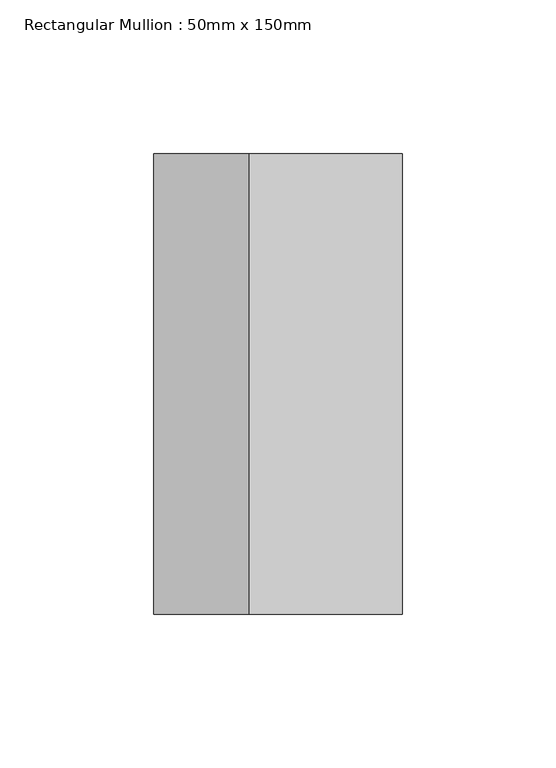
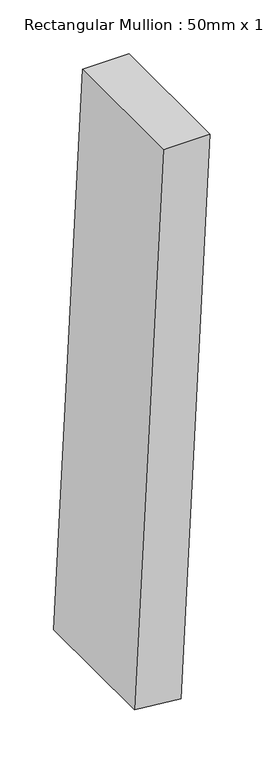
"""IFC4 building model written with IfcOpenShell, lengths in millimetres: member geometry, Rectangular Mullion : 50mm x 150mm."""

from ifc_helpers import new_model, si_unit, point, frame, frame_2d, origin, place, context, project, spatial, polyline, circle_curve, trimmed, segment, composite_curve, outline, extrude, source, transform, mapped, element, save


def rectangular_mullion_50mm_x_150mm_5839d958(model_context):
    return source(origin(), model_context, "Body", "SweptSolid", [
        extrude(outline(composite_curve([segment(trimmed(circle_curve(frame_2d((0.0, -6346.1004829)), 6346.1004829), [point((-629.0393636, -31.2528349))], [point((0.0, 0.0))], False, "CARTESIAN"), True, "CONTINUOUS"), segment(polyline([(0.0, 0.0), (0.0, -50.0)]), True, "CONTINUOUS"), segment(trimmed(circle_curve(frame_2d((0.0, -6346.1004829)), 6296.1004829), [point((0.0, -50.0))], [point((-624.0832543, -81.0065983))], True, "CARTESIAN"), True, "CONTINUOUS"), segment(polyline([(-624.0832543, -81.0065983), (-629.0393636, -31.2528349)]), True, "CONTINUOUS")], self_intersect=False)), frame((0.0, -75.0, 0.0), z_axis=(0.0, 1.0, 0.0), x_axis=(0.0, 0.0, 1.0)), (0.0, 0.0, 1.0), 150.0),
    ])


if __name__ == "__main__":
    model = new_model("IFC4")
    model_context = context("Model", 3, world=origin())
    ifc_project = project(units=[si_unit("LENGTHUNIT", "METRE", prefix="MILLI")], contexts=[model_context])
    site = spatial("IfcSite", under=ifc_project)
    building = spatial("IfcBuilding", under=site)
    placement = place(None, origin())
    rectangular_mullion_50mm_x_150mm_shape = rectangular_mullion_50mm_x_150mm_5839d958(model_context)
    element("IfcMember", 1, ObjectType="Rectangular Mullion : 50mm x 150mm", at=placement, inside=building, context=model_context, shape_type="MappedRepresentation", body=[
        mapped(rectangular_mullion_50mm_x_150mm_shape, transform((0.0, 0.0, 0.0), x_axis=(1.0, 0.0, 0.0), y_axis=(0.0, 1.0, 0.0), z_axis=(0.0, 0.0, 1.0))),
    ])
    save(model, "model.ifc")
